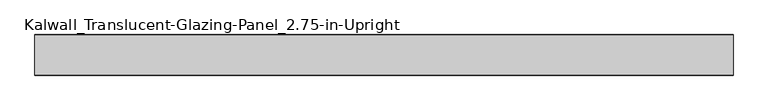
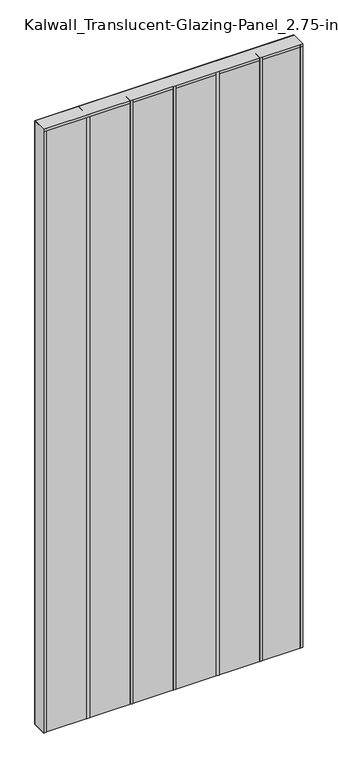
"""IFC4 building model written with IfcOpenShell, lengths in millimetres: plate geometry, Kalwall_Translucent-Glazing-Panel_2.75-in-Upright."""

from ifc_helpers import new_model, si_unit, frame, origin, origin_with_axes, place, context, project, spatial, polyline, outline, extrude, source, transform, mapped, element, save


def kalwall_translucent_glazing_panel_2_75_in_upright_c2f432f7(model_context):
    return source(origin(), model_context, "Body", "SweptSolid", [
        extrude(outline(polyline([(609.6, 34.925), (609.6, -34.925), (-609.6, -34.925), (-609.6, 34.925), (609.6, 34.925)])), origin_with_axes(), (0.0, 0.0, 1.0), 3003.55),
        extrude(outline(polyline([(419.1, 35.71875), (419.1, -35.71875), (406.4, -35.71875), (406.4, 35.71875), (419.1, 35.71875)])), origin_with_axes(), (0.0, 0.0, 1.0), 3003.55),
        extrude(outline(polyline([(215.9, 35.71875), (215.9, -35.71875), (203.2, -35.71875), (203.2, 35.71875), (215.9, 35.71875)])), origin_with_axes(), (0.0, 0.0, 1.0), 3003.55),
        extrude(outline(polyline([(12.7, 35.71875), (12.7, -35.71875), (0.0, -35.71875), (0.0, 35.71875), (12.7, 35.71875)])), origin_with_axes(), (0.0, 0.0, 1.0), 3003.55),
        extrude(outline(polyline([(-190.5, 35.71875), (-190.5, -35.71875), (-203.2, -35.71875), (-203.2, 35.71875), (-190.5, 35.71875)])), origin_with_axes(), (0.0, 0.0, 1.0), 3003.55),
        extrude(outline(polyline([(609.6, 35.71875), (609.6, -35.71875), (-609.6, -35.71875), (-609.6, 35.71875), (609.6, 35.71875)])), frame((0.0, 0.0, 2990.85), z_axis=(0.0, 0.0, 1.0), x_axis=(1.0, 0.0, 0.0)), (0.0, 0.0, 1.0), 12.7),
        extrude(outline(polyline([(-393.7, 35.71875), (-393.7, -35.71875), (-406.4, -35.71875), (-406.4, 35.71875), (-393.7, 35.71875)])), origin_with_axes(), (0.0, 0.0, 1.0), 3003.55),
        extrude(outline(polyline([(609.6, 35.71875), (609.6, -35.71875), (596.9, -35.71875), (596.9, 35.71875), (609.6, 35.71875)])), origin_with_axes(), (0.0, 0.0, 1.0), 3003.55),
        extrude(outline(polyline([(-596.9, 35.71875), (-596.9, -35.71875), (-609.6, -35.71875), (-609.6, 35.71875), (-596.9, 35.71875)])), origin_with_axes(), (0.0, 0.0, 1.0), 3003.55),
    ])


if __name__ == "__main__":
    model = new_model("IFC4")
    model_context = context("Model", 3, world=origin())
    ifc_project = project(units=[si_unit("LENGTHUNIT", "METRE", prefix="MILLI")], contexts=[model_context])
    site = spatial("IfcSite", under=ifc_project)
    building = spatial("IfcBuilding", under=site)
    placement = place(None, origin())
    kalwall_translucent_glazing_panel_2_75_in_upright_shape = kalwall_translucent_glazing_panel_2_75_in_upright_c2f432f7(model_context)
    element("IfcPlate", 1, ObjectType="Kalwall_Translucent-Glazing-Panel_2.75-in-Upright", at=placement, inside=building, context=model_context, shape_type="MappedRepresentation", body=[
        mapped(kalwall_translucent_glazing_panel_2_75_in_upright_shape, transform((0.0, 0.0, 0.0), x_axis=(1.0, 0.0, 0.0), y_axis=(0.0, 1.0, 0.0), z_axis=(0.0, 0.0, 1.0))),
    ])
    save(model, "model.ifc")
